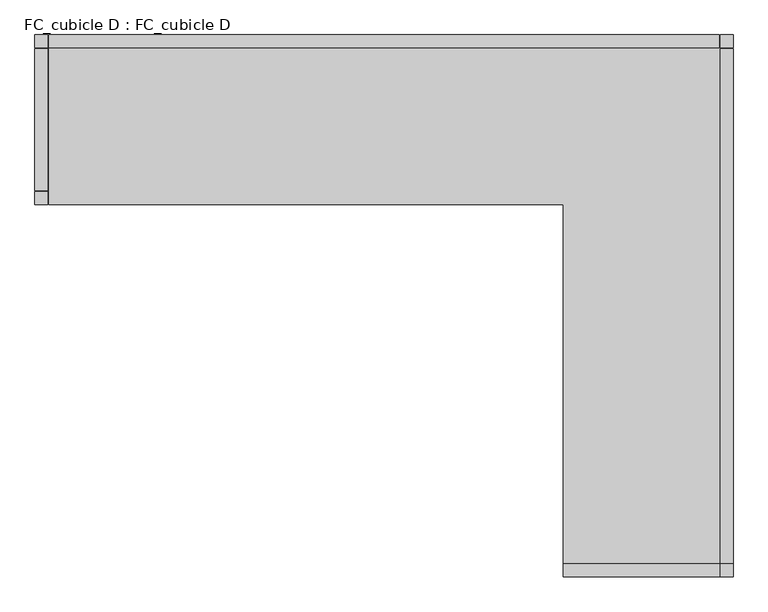
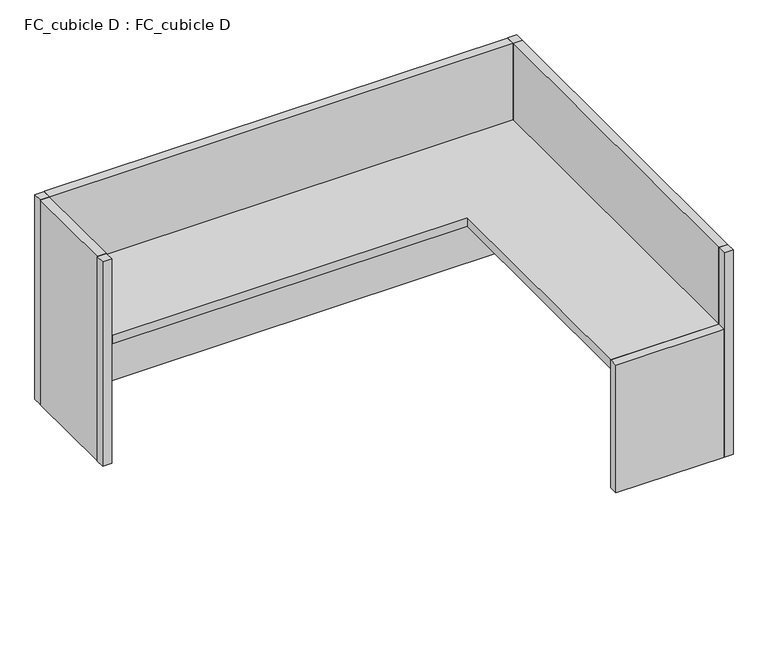
"""IFC4 building model written with IfcOpenShell, lengths in millimetres: furniture geometry, FC_cubicle D : FC_cubicle D."""

from ifc_helpers import new_model, si_unit, frame, origin, origin_with_axes, place, context, project, spatial, polyline, outline, extrude, source, transform, mapped, element, save


def fc_cubicle_d_fc_cubicle_d_9291a591(model_context):
    return source(origin(), model_context, "Body", "SweptSolid", [
        extrude(outline(polyline([(-660.4, -2111.375), (-660.4, -2060.575), (-50.8, -2060.575), (-50.8, -2111.375), (-660.4, -2111.375)])), origin_with_axes(), (0.0, 0.0, 1.0), 762.0),
        extrude(outline(polyline([(-2717.8, -660.4), (-2717.8, -609.6), (-2667.0, -609.6), (-2667.0, -660.4), (-2717.8, -660.4)])), origin_with_axes(), (0.0, 0.0, 1.0), 1219.2),
        extrude(outline(polyline([(-2717.8, -50.8), (-2717.8, 0.0), (-2667.0, 0.0), (-2667.0, -50.8), (-2717.8, -50.8)])), origin_with_axes(), (0.0, 0.0, 1.0), 1219.2),
        extrude(outline(polyline([(-50.8, -50.8), (-50.8, 0.0), (0.0, 0.0), (0.0, -50.8), (-50.8, -50.8)])), origin_with_axes(), (0.0, 0.0, 1.0), 1219.2),
        extrude(outline(polyline([(-50.8, -2111.375), (-50.8, -2060.575), (0.0, -2060.575), (0.0, -2111.375), (-50.8, -2111.375)])), origin_with_axes(), (0.0, 0.0, 1.0), 1219.2),
        extrude(outline(polyline([(-2663.825, -660.4), (-2663.825, -50.8), (-50.8, -50.8), (-50.8, -2060.575), (-660.4, -2060.575), (-660.4, -660.4), (-2663.825, -660.4)])), frame((0.0, 0.0, 711.2), z_axis=(0.0, 0.0, 1.0), x_axis=(1.0, 0.0, 0.0)), (0.0, 0.0, 1.0), 50.8),
        extrude(outline(polyline([(-2663.825, 0.0), (-53.975, 0.0), (-53.975, -50.8), (-2663.825, -50.8), (-2663.825, 0.0)])), origin_with_axes(), (0.0, 0.0, 1.0), 1219.2),
        extrude(outline(polyline([(0.0, -53.975), (0.0, -2060.575), (-50.8, -2060.575), (-50.8, -53.975), (0.0, -53.975)])), origin_with_axes(), (0.0, 0.0, 1.0), 1219.2),
        extrude(outline(polyline([(-2717.8, -53.975), (-2667.0, -53.975), (-2667.0, -606.425), (-2717.8, -606.425), (-2717.8, -53.975)])), origin_with_axes(), (0.0, 0.0, 1.0), 1219.2),
    ])


if __name__ == "__main__":
    model = new_model("IFC4")
    model_context = context("Model", 3, world=origin())
    ifc_project = project(units=[si_unit("LENGTHUNIT", "METRE", prefix="MILLI")], contexts=[model_context])
    site = spatial("IfcSite", under=ifc_project)
    building = spatial("IfcBuilding", under=site)
    placement = place(None, origin())
    fc_cubicle_d_fc_cubicle_d_shape = fc_cubicle_d_fc_cubicle_d_9291a591(model_context)
    element("IfcFurniture", 1, ObjectType="FC_cubicle D : FC_cubicle D", at=placement, inside=building, context=model_context, shape_type="MappedRepresentation", body=[
        mapped(fc_cubicle_d_fc_cubicle_d_shape, transform((0.0, 0.0, 0.0), x_axis=(1.0, 0.0, 0.0), y_axis=(0.0, 1.0, 0.0), z_axis=(0.0, 0.0, 1.0))),
    ])
    save(model, "model.ifc")
